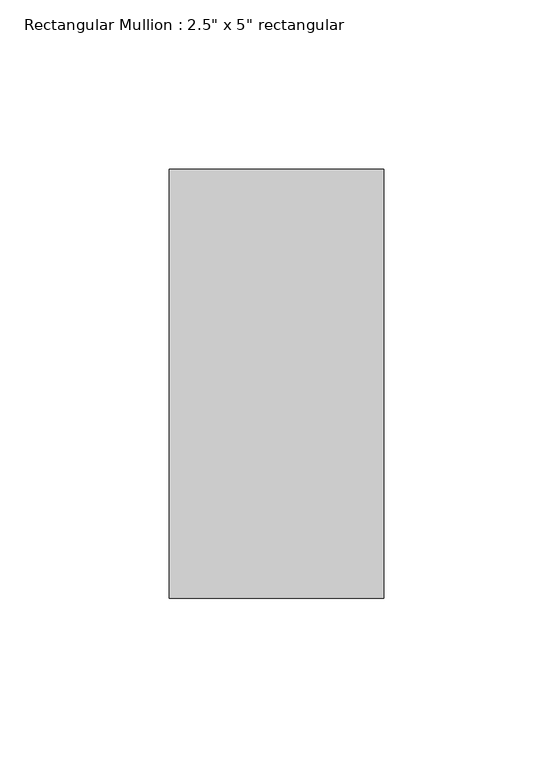
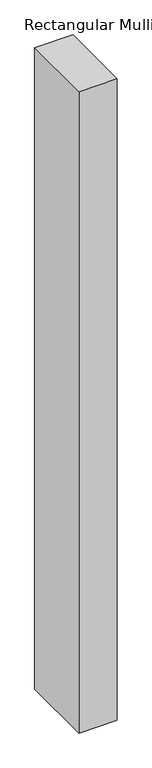
"""IFC4 building model written with IfcOpenShell, lengths in millimetres: member geometry."""

import ifcopenshell
import ifcopenshell.guid

model = None  # the IFC model being written
_history = None  # IfcOwnerHistory: only IFC2X3 demands one
_inside = {}  # id of a spatial element -> (the spatial element, [elements in it])
_under = {}  # id of a project, library or spatial element -> (it, [spatial elements below it])
_declared = {}  # id of a project -> (the project, [libraries it declares])
_typed = {}  # id of a type object -> (the type object, [elements of that type])
_made_of = {}  # id of a material, layer set ... -> (it, [elements and type objects made of it])


def new_model(schema):
    """Start an empty IFC model of exactly this schema.

    Asked for "IFC4X3", IfcOpenShell would pick the latest addendum, in which some entities
    have other attributes; the version numbers below select the first issue.
    IFC2X3 requires an IfcOwnerHistory on every rooted entity: one is made here for all.
    """
    global model, _history
    if schema == "IFC4X3":
        model = ifcopenshell.file(schema_version=(4, 3, 0, 0))
    else:
        model = ifcopenshell.file(schema=schema)
    _inside.clear()
    _under.clear()
    _declared.clear()
    _typed.clear()
    _made_of.clear()
    _history = None
    if model.schema == "IFC2X3":
        org = make("IfcOrganization", Name="unknown")
        user = make(
            "IfcPersonAndOrganization",
            ThePerson=make("IfcPerson", FamilyName="unknown"),
            TheOrganization=org,
        )
        app = make(
            "IfcApplication",
            ApplicationDeveloper=org,
            Version="unknown",
            ApplicationFullName="unknown",
            ApplicationIdentifier="unknown",
        )
        _history = make(
            "IfcOwnerHistory",
            OwningUser=user,
            OwningApplication=app,
            ChangeAction="ADDED",
            CreationDate=0,
        )
    return model


def make(cls, **values):
    """One entity of the class cls with the attributes given. An attribute that is None is left unset."""
    return model.create_entity(
        cls, **{name: value for name, value in values.items() if value is not None}
    )


def rooted(cls, **values):
    """An entity with a GlobalId (a new one), such as an element, a storey or a relation."""
    return make(cls, GlobalId=ifcopenshell.guid.new(), OwnerHistory=_history, **values)


def si_unit(unit_type, name, prefix=None):
    """IfcSIUnit, for example si_unit("LENGTHUNIT", "METRE", prefix="MILLI")."""
    return make("IfcSIUnit", UnitType=unit_type, Prefix=prefix, Name=name)


def assignment(units):
    """IfcUnitAssignment: the units of a project."""
    return None if units is None else make("IfcUnitAssignment", Units=units)


def point(xyz):
    """IfcCartesianPoint."""
    return None if xyz is None else make("IfcCartesianPoint", Coordinates=xyz)


def direction(xyz):
    """IfcDirection."""
    return None if xyz is None else make("IfcDirection", DirectionRatios=xyz)


def frame(location, z_axis=None, x_axis=None):
    """IfcAxis2Placement3D, a coordinate frame: its origin and axes. An axis left out is left unset."""
    return make(
        "IfcAxis2Placement3D",
        Location=point(location),
        Axis=direction(z_axis),
        RefDirection=direction(x_axis),
    )


def origin():
    """The frame at (0, 0, 0) with its axes left unset."""
    return frame((0.0, 0.0, 0.0))


def place(relative_to, where):
    """IfcLocalPlacement: puts the frame where relative to a parent placement (None: the world)."""
    return make(
        "IfcLocalPlacement", PlacementRelTo=relative_to, RelativePlacement=where
    )


def context(
    kind, dimensions, precision=None, world=None, true_north=None, identifier=None
):
    """IfcGeometricRepresentationContext, for example the 3D "Model" context."""
    return make(
        "IfcGeometricRepresentationContext",
        ContextIdentifier=identifier,
        ContextType=kind,
        CoordinateSpaceDimension=dimensions,
        Precision=precision,
        WorldCoordinateSystem=world,
        TrueNorth=true_north,
    )


def project(units=None, contexts=None):
    """IfcProject with its units and contexts."""
    return rooted(
        "IfcProject",
        Name="project",
        RepresentationContexts=contexts,
        UnitsInContext=assignment(units),
    )


def spatial(cls, under=None, at=None, **own):
    """A site, building, storey or space (cls), placed at a placement, below another one or the project."""
    s = rooted(cls, ObjectPlacement=at, **own)
    if under is not None:
        _under.setdefault(under.id(), (under, []))[1].append(s)
    return s


def polyline(points):
    """IfcPolyline through the points."""
    return make("IfcPolyline", Points=[point(p) for p in points])


def outline(outer, holes=None, kind="AREA"):
    """IfcArbitraryClosedProfileDef: a profile drawn as a closed curve; with holes, ...WithVoids."""
    if holes is None:
        return make("IfcArbitraryClosedProfileDef", ProfileType=kind, OuterCurve=outer)
    return make(
        "IfcArbitraryProfileDefWithVoids",
        ProfileType=kind,
        OuterCurve=outer,
        InnerCurves=holes,
    )


def extrude(swept, where, along, depth):
    """IfcExtrudedAreaSolid: the profile swept, set in the frame where, extruded along a direction by depth."""
    return make(
        "IfcExtrudedAreaSolid",
        SweptArea=swept,
        Position=where,
        ExtrudedDirection=direction(along),
        Depth=depth,
    )


def shape(context_of_items, identifier, shape_type, items):
    """IfcShapeRepresentation: the items that make up one representation, for example the "Body"."""
    return make(
        "IfcShapeRepresentation",
        ContextOfItems=context_of_items,
        RepresentationIdentifier=identifier,
        RepresentationType=shape_type,
        Items=items,
    )


def source(mapping_origin, context_of_items, identifier, shape_type, items):
    """IfcRepresentationMap: a shape defined once, which mapped items show again and again."""
    return make(
        "IfcRepresentationMap",
        MappingOrigin=mapping_origin,
        MappedRepresentation=shape(context_of_items, identifier, shape_type, items),
    )


def transform(
    local_origin,
    x_axis=None,
    y_axis=None,
    z_axis=None,
    scale=None,
    scale2=None,
    scale3=None,
    uniform=True,
):
    """IfcCartesianTransformationOperator3D, or its non-uniform kind. x_axis, y_axis, z_axis: its Axis1, 2, 3."""
    if uniform:
        return make(
            "IfcCartesianTransformationOperator3D",
            Axis1=direction(x_axis),
            Axis2=direction(y_axis),
            LocalOrigin=point(local_origin),
            Scale=scale,
            Axis3=direction(z_axis),
        )
    return make(
        "IfcCartesianTransformationOperator3DnonUniform",
        Axis1=direction(x_axis),
        Axis2=direction(y_axis),
        LocalOrigin=point(local_origin),
        Scale=scale,
        Axis3=direction(z_axis),
        Scale2=scale2,
        Scale3=scale3,
    )


def mapped(mapping_source, mapping_target):
    """IfcMappedItem: shows the shape of a source again, moved by a transform."""
    return make(
        "IfcMappedItem", MappingSource=mapping_source, MappingTarget=mapping_target
    )


def made_of(thing, what):
    """Note that an element or type object is made of a material, layer set ...; save() writes the relation."""
    if what is not None:
        _made_of.setdefault(what.id(), (what, []))[1].append(thing)
    return thing


def element(
    cls,
    number,
    at=None,
    inside=None,
    cuts=None,
    type_object=None,
    material=None,
    context=None,
    identifier="Body",
    shape_type=None,
    held_by="IfcProductDefinitionShape",
    body=None,
    shapes=None,
    **own,
):
    """One element of the class cls, such as IfcWall. Its Tag is "e" and its number.

    at: its placement. inside: the storey or other place that contains it. cuts: it is an
    opening in that element (IfcRelVoidsElement). A single representation is given by context,
    identifier, shape_type and body (its items); several are given by shapes. held_by: the class
    of the entity that holds the representations. save() writes the other relations.
    """
    e = rooted(cls, Tag="e%d" % number, ObjectPlacement=at, **own)
    if body is not None:
        shapes = [shape(context, identifier, shape_type, body)]
    if shapes is not None:
        e.Representation = make(held_by, Representations=shapes)
    if inside is not None:
        _inside.setdefault(inside.id(), (inside, []))[1].append(e)
    if cuts is not None:
        rooted(
            "IfcRelVoidsElement", RelatingBuildingElement=cuts, RelatedOpeningElement=e
        )
    if type_object is not None:
        _typed.setdefault(type_object.id(), (type_object, []))[1].append(e)
    return made_of(e, material)


def aggregate(whole, parts):
    """IfcRelAggregates: a whole, such as a stair, and the parts it consists of."""
    return rooted("IfcRelAggregates", RelatingObject=whole, RelatedObjects=parts)


def save(model, path):
    """Write the relations noted so far, then the file.

    IfcRelAggregates (storeys below a building ...), IfcRelContainedInSpatialStructure (elements
    in a storey), IfcRelDefinesByType, IfcRelAssociatesMaterial and IfcRelDeclares: one each for
    every whole, place, type object, material and project.
    """
    for whole, parts in _under.values():
        aggregate(whole, parts)
    for where, things in _inside.values():
        rooted(
            "IfcRelContainedInSpatialStructure",
            RelatedElements=things,
            RelatingStructure=where,
        )
    for kind, things in _typed.values():
        rooted("IfcRelDefinesByType", RelatedObjects=things, RelatingType=kind)
    for what, things in _made_of.values():
        rooted("IfcRelAssociatesMaterial", RelatedObjects=things, RelatingMaterial=what)
    for by, libraries in _declared.values():
        rooted("IfcRelDeclares", RelatingContext=by, RelatedDefinitions=libraries)
    model.write(path)


def member_866a01fa(model_context):
    return source(origin(), model_context, "Body", "SweptSolid", [
        extrude(outline(polyline([(31.75, 63.5), (31.75, -63.5), (-31.75, -63.5), (-31.75, 63.5), (31.75, 63.5)])), frame((0.0, 0.0, -1123.95), z_axis=(0.0, 0.0, 1.0), x_axis=(1.0, 0.0, 0.0)), (0.0, 0.0, 1.0), 1123.95),
    ])


if __name__ == "__main__":
    model = new_model("IFC4")
    model_context = context("Model", 3, world=origin())
    ifc_project = project(units=[si_unit("LENGTHUNIT", "METRE", prefix="MILLI")], contexts=[model_context])
    site = spatial("IfcSite", under=ifc_project)
    building = spatial("IfcBuilding", under=site)
    placement = place(None, origin())
    member_shape = member_866a01fa(model_context)
    element("IfcMember", 1, ObjectType="Rectangular Mullion : 2.5\" x 5\" rectangular", at=placement, inside=building, context=model_context, shape_type="MappedRepresentation", body=[
        mapped(member_shape, transform((0.0, 0.0, 0.0), x_axis=(1.0, 0.0, 0.0), y_axis=(0.0, 1.0, 0.0), z_axis=(0.0, 0.0, 1.0))),
    ])
    save(model, "model.ifc")
